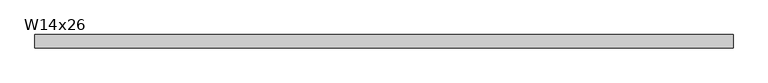
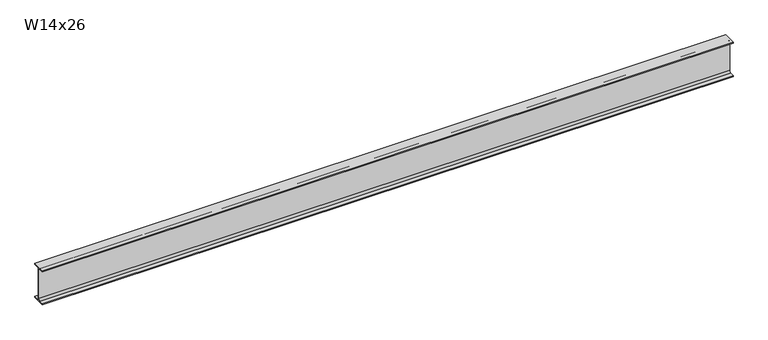
"""IFC4 building model written with IfcOpenShell, lengths in millimetres: beam geometry, W14x26."""

from ifc_helpers import new_model, si_unit, point, frame, frame_2d, origin, place, context, project, spatial, polyline, circle_curve, trimmed, segment, composite_curve, outline, extrude, source, transform, mapped, element, save


def w14x26_d175d524(model_context):
    return source(origin(), model_context, "Body", "SweptSolid", [
        extrude(outline(composite_curve([segment(polyline([(63.881, -165.862), (63.881, -176.53), (-63.881, -176.53), (-63.881, -165.862), (-21.1455, -165.862)]), True, "CONTINUOUS"), segment(trimmed(circle_curve(frame_2d((-21.1455, -147.955)), 17.907), [point((-21.1455, -165.862))], [point((-3.2385, -147.955))], True, "CARTESIAN"), True, "CONTINUOUS"), segment(polyline([(-3.2385, -147.955), (-3.2385, 147.955)]), True, "CONTINUOUS"), segment(trimmed(circle_curve(frame_2d((-21.1455, 147.955)), 17.907), [point((-3.2385, 147.955))], [point((-21.1455, 165.862))], True, "CARTESIAN"), True, "CONTINUOUS"), segment(polyline([(-21.1455, 165.862), (-63.881, 165.862), (-63.881, 176.53), (63.881, 176.53), (63.881, 165.862), (21.1455, 165.862)]), True, "CONTINUOUS"), segment(trimmed(circle_curve(frame_2d((21.1455, 147.955)), 17.907), [point((21.1455, 165.862))], [point((3.2385, 147.955))], True, "CARTESIAN"), True, "CONTINUOUS"), segment(polyline([(3.2385, 147.955), (3.2385, -147.955)]), True, "CONTINUOUS"), segment(trimmed(circle_curve(frame_2d((21.1455, -147.955)), 17.907), [point((3.2385, -147.955))], [point((21.1455, -165.862))], True, "CARTESIAN"), True, "CONTINUOUS"), segment(polyline([(21.1455, -165.862), (63.881, -165.862)]), True, "CONTINUOUS")], self_intersect=False)), frame((-3326.8708204, 0.0, 0.0), z_axis=(1.0, 0.0, 0.0), x_axis=(0.0, 1.0, 0.0)), (0.0, 0.0, 1.0), 6755.870825),
    ])


if __name__ == "__main__":
    model = new_model("IFC4")
    model_context = context("Model", 3, world=origin())
    ifc_project = project(units=[si_unit("LENGTHUNIT", "METRE", prefix="MILLI")], contexts=[model_context])
    site = spatial("IfcSite", under=ifc_project)
    building = spatial("IfcBuilding", under=site)
    placement = place(None, origin())
    w14x26_shape = w14x26_d175d524(model_context)
    element("IfcBeam", 1, ObjectType="W14x26", at=placement, inside=building, context=model_context, shape_type="MappedRepresentation", body=[
        mapped(w14x26_shape, transform((0.0, 0.0, 0.0), x_axis=(1.0, 0.0, 0.0), y_axis=(0.0, 1.0, 0.0), z_axis=(0.0, 0.0, 1.0))),
    ])
    save(model, "model.ifc")
